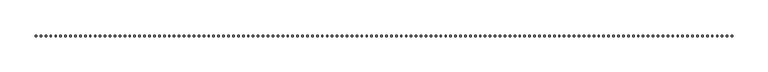
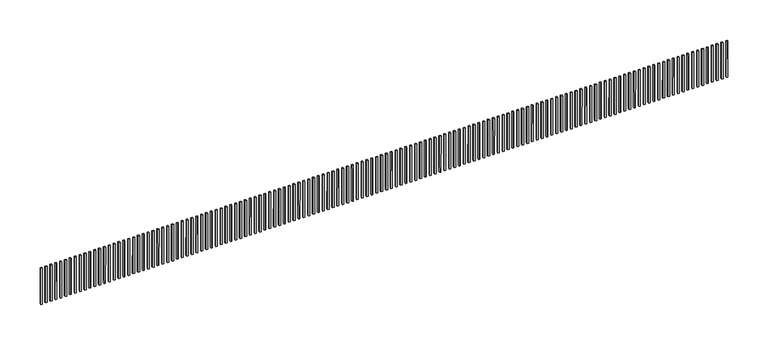
"""IFC4 building model written with IfcOpenShell, lengths in millimetres: proxy geometry."""

from ifc_helpers import new_model, si_unit, frame, origin, place, context, project, spatial, polyline, outline, extrude, source, transform, mapped, element, save


def generic_models_afb05aeb(model_context):
    return source(origin(), model_context, "Body", "SweptSolid", [
        extrude(outline(polyline([(0.0, -2.0), (0.0, 0.0), (1.974326, 0.0), (1.974326, -2.0), (0.0, -2.0)])), frame((8.0, 0.030671, 2.137428), z_axis=(3.568491335761828e-12, -0.0012445954869860778, 0.9999992254907369), x_axis=(0.0, -0.9999992254907369, -0.0012445954869860778)), (0.0, 0.0, 1.0), 55.0),
        extrude(outline(polyline([(0.0, -2.0), (0.0, 0.0), (1.974326, 0.0), (1.974326, -2.0), (0.0, -2.0)])), frame((15.0, 0.030671, 2.137428), z_axis=(3.5542152554439186e-12, -0.0012445954869860778, 0.9999992254907369), x_axis=(0.0, -0.9999992254907369, -0.0012445954869860778)), (0.0, 0.0, 1.0), 55.0),
        extrude(outline(polyline([(0.0, -2.0), (0.0, 0.0), (1.974326, 0.0), (1.974326, -2.0), (0.0, -2.0)])), frame((22.0, 0.030671, 2.137428), z_axis=(3.544169124849834e-12, -0.0012445954869860778, 0.9999992254907369), x_axis=(0.0, -0.9999992254907369, -0.0012445954869860778)), (0.0, 0.0, 1.0), 55.0),
        extrude(outline(polyline([(0.0, -2.0), (0.0, 0.0), (1.974326, 0.0), (1.974326, -2.0), (0.0, -2.0)])), frame((29.0, 0.030671, 2.137428), z_axis=(3.53412299425575e-12, -0.0012445954869860778, 0.9999992254907369), x_axis=(0.0, -0.9999992254907369, -0.0012445954869860778)), (0.0, 0.0, 1.0), 55.0),
        extrude(outline(polyline([(0.0, -2.0), (0.0, 0.0), (1.974326, 0.0), (1.974326, -2.0), (0.0, -2.0)])), frame((36.0, 0.030671, 2.137428), z_axis=(3.519846913937841e-12, -0.0012445954869860778, 0.9999992254907369), x_axis=(0.0, -0.9999992254907369, -0.0012445954869860778)), (0.0, 0.0, 1.0), 55.0),
        extrude(outline(polyline([(0.0, -2.0), (0.0, 0.0), (1.974326, 0.0), (1.974326, -2.0), (0.0, -2.0)])), frame((43.0, 0.030671, 2.137428), z_axis=(3.510858270774713e-12, -0.0012445954869860778, 0.9999992254907369), x_axis=(0.0, -0.9999992254907369, -0.0012445954869860778)), (0.0, 0.0, 1.0), 55.0),
        extrude(outline(polyline([(0.0, -2.0), (0.0, 0.0), (1.974326, 0.0), (1.974326, -2.0), (0.0, -2.0)])), frame((50.0, 0.030671, 2.137428), z_axis=(3.5008121401806285e-12, -0.0012445954869860778, 0.9999992254907369), x_axis=(0.0, -0.9999992254907369, -0.0012445954869860778)), (0.0, 0.0, 1.0), 55.0),
        extrude(outline(polyline([(0.0, -2.0), (0.0, 0.0), (1.974326, 0.0), (1.974326, -2.0), (0.0, -2.0)])), frame((57.0, 0.030671, 2.137428), z_axis=(3.4865360598627196e-12, -0.0012445954869860778, 0.9999992254907369), x_axis=(0.0, -0.9999992254907369, -0.0012445954869860778)), (0.0, 0.0, 1.0), 55.0),
        extrude(outline(polyline([(0.0, -2.0), (0.0, 0.0), (1.974326, 0.0), (1.974326, -2.0), (0.0, -2.0)])), frame((64.0, 0.030671, 2.137428), z_axis=(3.4764899292686347e-12, -0.0012445954869860778, 0.9999992254907369), x_axis=(0.0, -0.9999992254907369, -0.0012445954869860778)), (0.0, 0.0, 1.0), 55.0),
        extrude(outline(polyline([(0.0, -2.0), (0.0, 0.0), (1.974326, 0.0), (1.974326, -2.0), (0.0, -2.0)])), frame((71.0, 0.030671, 2.137428), z_axis=(3.466443798674551e-12, -0.0012445954869860778, 0.9999992254907369), x_axis=(0.0, -0.9999992254907369, -0.0012445954869860778)), (0.0, 0.0, 1.0), 55.0),
        extrude(outline(polyline([(0.0, -2.0), (0.0, 0.0), (1.974326, 0.0), (1.974326, -2.0), (0.0, -2.0)])), frame((78.0, 0.030671, 2.137428), z_axis=(3.45269646207212e-12, -0.0012445954869860778, 0.9999992254907369), x_axis=(0.0, -0.9999992254907369, -0.0012445954869860778)), (0.0, 0.0, 1.0), 55.0),
        extrude(outline(polyline([(0.0, -2.0), (0.0, 0.0), (1.974326, 0.0), (1.974326, -2.0), (0.0, -2.0)])), frame((85.0, 0.030671, 2.137428), z_axis=(3.4426503314780353e-12, -0.0012445954869860778, 0.9999992254907369), x_axis=(0.0, -0.9999992254907369, -0.0012445954869860778)), (0.0, 0.0, 1.0), 55.0),
        extrude(outline(polyline([(0.0, -2.0), (0.0, 0.0), (1.974326, 0.0), (1.974326, -2.0), (0.0, -2.0)])), frame((92.0, 0.030671, 2.137428), z_axis=(3.432604200883951e-12, -0.0012445954869860778, 0.9999992254907369), x_axis=(0.0, -0.9999992254907369, -0.0012445954869860778)), (0.0, 0.0, 1.0), 55.0),
        extrude(outline(polyline([(0.0, -2.0), (0.0, 0.0), (1.974326, 0.0), (1.974326, -2.0), (0.0, -2.0)])), frame((99.0, 0.030671, 2.137428), z_axis=(3.4183281205660415e-12, -0.0012445954869860778, 0.9999992254907369), x_axis=(0.0, -0.9999992254907369, -0.0012445954869860778)), (0.0, 0.0, 1.0), 55.0),
        extrude(outline(polyline([(0.0, -2.0), (0.0, 0.0), (1.974326, 0.0), (1.974326, -2.0), (0.0, -2.0)])), frame((106.0, 0.030671, 2.137428), z_axis=(3.4082819899719582e-12, -0.0012445954869860778, 0.9999992254907369), x_axis=(0.0, -0.9999992254907369, -0.0012445954869860778)), (0.0, 0.0, 1.0), 55.0),
        extrude(outline(polyline([(0.0, -2.0), (0.0, 0.0), (1.974326, 0.0), (1.974326, -2.0), (0.0, -2.0)])), frame((113.0, 0.030671, 2.137428), z_axis=(3.3992933468088298e-12, -0.0012445954869860778, 0.9999992254907369), x_axis=(0.0, -0.9999992254907369, -0.0012445954869860778)), (0.0, 0.0, 1.0), 55.0),
        extrude(outline(polyline([(0.0, -2.0), (0.0, 0.0), (1.974326, 0.0), (1.974326, -2.0), (0.0, -2.0)])), frame((120.0, 0.030671, 2.137428), z_axis=(3.38501726649092e-12, -0.0012445954869860778, 0.9999992254907369), x_axis=(0.0, -0.9999992254907369, -0.0012445954869860778)), (0.0, 0.0, 1.0), 55.0),
        extrude(outline(polyline([(0.0, -2.0), (0.0, 0.0), (1.974326, 0.0), (1.974326, -2.0), (0.0, -2.0)])), frame((127.0, 0.030671, 2.137428), z_axis=(3.3749711358968363e-12, -0.0012445954869860778, 0.9999992254907369), x_axis=(0.0, -0.9999992254907369, -0.0012445954869860778)), (0.0, 0.0, 1.0), 55.0),
        extrude(outline(polyline([(0.0, -2.0), (0.0, 0.0), (1.974326, 0.0), (1.974326, -2.0), (0.0, -2.0)])), frame((134.0, 0.030671, 2.137428), z_axis=(3.3649250053027514e-12, -0.0012445954869860778, 0.9999992254907369), x_axis=(0.0, -0.9999992254907369, -0.0012445954869860778)), (0.0, 0.0, 1.0), 55.0),
        extrude(outline(polyline([(0.0, -2.0), (0.0, 0.0), (1.974326, 0.0), (1.974326, -2.0), (0.0, -2.0)])), frame((141.0, 0.030671, 2.137428), z_axis=(3.3506489249848424e-12, -0.0012445954869860778, 0.9999992254907369), x_axis=(0.0, -0.9999992254907369, -0.0012445954869860778)), (0.0, 0.0, 1.0), 55.0),
        extrude(outline(polyline([(0.0, -2.0), (0.0, 0.0), (1.974326, 0.0), (1.974326, -2.0), (0.0, -2.0)])), frame((148.0, 0.030671, 2.137428), z_axis=(3.3411315381062366e-12, -0.0012445954869860778, 0.9999992254907369), x_axis=(0.0, -0.9999992254907369, -0.0012445954869860778)), (0.0, 0.0, 1.0), 55.0),
        extrude(outline(polyline([(0.0, -2.0), (0.0, 0.0), (1.974326, 0.0), (1.974326, -2.0), (0.0, -2.0)])), frame((155.0, 0.030671, 2.137428), z_axis=(3.3310854075121525e-12, -0.0012445954869860778, 0.9999992254907369), x_axis=(0.0, -0.9999992254907369, -0.0012445954869860778)), (0.0, 0.0, 1.0), 55.0),
        extrude(outline(polyline([(0.0, -2.0), (0.0, 0.0), (1.974326, 0.0), (1.974326, -2.0), (0.0, -2.0)])), frame((162.0, 0.030671, 2.137428), z_axis=(3.316809327194243e-12, -0.0012445954869860778, 0.9999992254907369), x_axis=(0.0, -0.9999992254907369, -0.0012445954869860778)), (0.0, 0.0, 1.0), 55.0),
        extrude(outline(polyline([(0.0, -2.0), (0.0, 0.0), (1.974326, 0.0), (1.974326, -2.0), (0.0, -2.0)])), frame((169.0, 0.030671, 2.137428), z_axis=(3.306763196600158e-12, -0.0012445954869860778, 0.9999992254907369), x_axis=(0.0, -0.9999992254907369, -0.0012445954869860778)), (0.0, 0.0, 1.0), 55.0),
        extrude(outline(polyline([(0.0, -2.0), (0.0, 0.0), (1.974326, 0.0), (1.974326, -2.0), (0.0, -2.0)])), frame((176.0, 0.030671, 2.137428), z_axis=(3.2924871162822492e-12, -0.0012445954869860778, 0.9999992254907369), x_axis=(0.0, -0.9999992254907369, -0.0012445954869860778)), (0.0, 0.0, 1.0), 55.0),
        extrude(outline(polyline([(0.0, -2.0), (0.0, 0.0), (1.974326, 0.0), (1.974326, -2.0), (0.0, -2.0)])), frame((183.0, 0.030671, 2.137428), z_axis=(3.2834984731191216e-12, -0.0012445954869860778, 0.9999992254907369), x_axis=(0.0, -0.9999992254907369, -0.0012445954869860778)), (0.0, 0.0, 1.0), 55.0),
        extrude(outline(polyline([(0.0, -2.0), (0.0, 0.0), (1.974326, 0.0), (1.974326, -2.0), (0.0, -2.0)])), frame((190.0, 0.030671, 2.137428), z_axis=(3.2734523425250367e-12, -0.0012445954869860778, 0.9999992254907369), x_axis=(0.0, -0.9999992254907369, -0.0012445954869860778)), (0.0, 0.0, 1.0), 55.0),
        extrude(outline(polyline([(0.0, -2.0), (0.0, 0.0), (1.974326, 0.0), (1.974326, -2.0), (0.0, -2.0)])), frame((197.0, 0.030671, 2.137428), z_axis=(3.263406211930953e-12, -0.0012445954869860778, 0.9999992254907369), x_axis=(0.0, -0.9999992254907369, -0.0012445954869860778)), (0.0, 0.0, 1.0), 55.0),
        extrude(outline(polyline([(0.0, -2.0), (0.0, 0.0), (1.974326, 0.0), (1.974326, -2.0), (0.0, -2.0)])), frame((204.0, 0.030671, 2.137428), z_axis=(3.2491301316129887e-12, -0.0012445954869860778, 0.9999992254907369), x_axis=(0.0, -0.9999992254907369, -0.0012445954869860778)), (0.0, 0.0, 1.0), 55.0),
        extrude(outline(polyline([(0.0, -2.0), (0.0, 0.0), (1.974326, 0.0), (1.974326, -2.0), (0.0, -2.0)])), frame((211.0, 0.030671, 2.137428), z_axis=(3.2390840010189046e-12, -0.0012445954869860778, 0.9999992254907369), x_axis=(0.0, -0.9999992254907369, -0.0012445954869860778)), (0.0, 0.0, 1.0), 55.0),
        extrude(outline(polyline([(0.0, -2.0), (0.0, 0.0), (1.974326, 0.0), (1.974326, -2.0), (0.0, -2.0)])), frame((218.0, 0.030671, 2.137428), z_axis=(3.2295666141402984e-12, -0.0012445954869860778, 0.9999992254907369), x_axis=(0.0, -0.9999992254907369, -0.0012445954869860778)), (0.0, 0.0, 1.0), 55.0),
        extrude(outline(polyline([(0.0, -2.0), (0.0, 0.0), (1.974326, 0.0), (1.974326, -2.0), (0.0, -2.0)])), frame((225.0, 0.030671, 2.137428), z_axis=(3.2152905338223898e-12, -0.0012445954869860778, 0.9999992254907369), x_axis=(0.0, -0.9999992254907369, -0.0012445954869860778)), (0.0, 0.0, 1.0), 55.0),
        extrude(outline(polyline([(0.0, -2.0), (0.0, 0.0), (1.974326, 0.0), (1.974326, -2.0), (0.0, -2.0)])), frame((232.0, 0.030671, 2.137428), z_axis=(3.2052444032283057e-12, -0.0012445954869860778, 0.9999992254907369), x_axis=(0.0, -0.9999992254907369, -0.0012445954869860778)), (0.0, 0.0, 1.0), 55.0),
        extrude(outline(polyline([(0.0, -2.0), (0.0, 0.0), (1.974326, 0.0), (1.974326, -2.0), (0.0, -2.0)])), frame((239.0, 0.030671, 2.137428), z_axis=(3.1909683229103967e-12, -0.0012445954869860778, 0.9999992254907369), x_axis=(0.0, -0.9999992254907369, -0.0012445954869860778)), (0.0, 0.0, 1.0), 55.0),
        extrude(outline(polyline([(0.0, -2.0), (0.0, 0.0), (1.974326, 0.0), (1.974326, -2.0), (0.0, -2.0)])), frame((246.0, 0.030671, 2.137428), z_axis=(3.1809221923163122e-12, -0.0012445954869860778, 0.9999992254907369), x_axis=(0.0, -0.9999992254907369, -0.0012445954869860778)), (0.0, 0.0, 1.0), 55.0),
        extrude(outline(polyline([(0.0, -2.0), (0.0, 0.0), (1.974326, 0.0), (1.974326, -2.0), (0.0, -2.0)])), frame((253.0, 0.030671, 2.137428), z_axis=(3.1719335491531846e-12, -0.0012445954869860778, 0.9999992254907369), x_axis=(0.0, -0.9999992254907369, -0.0012445954869860778)), (0.0, 0.0, 1.0), 55.0),
        extrude(outline(polyline([(0.0, -2.0), (0.0, 0.0), (1.974326, 0.0), (1.974326, -2.0), (0.0, -2.0)])), frame((260.0, 0.030671, 2.137428), z_axis=(3.1618874185591005e-12, -0.0012445954869860778, 0.9999992254907369), x_axis=(0.0, -0.9999992254907369, -0.0012445954869860778)), (0.0, 0.0, 1.0), 55.0),
        extrude(outline(polyline([(0.0, -2.0), (0.0, 0.0), (1.974326, 0.0), (1.974326, -2.0), (0.0, -2.0)])), frame((267.0, 0.030671, 2.137428), z_axis=(3.147611338241191e-12, -0.0012445954869860778, 0.9999992254907369), x_axis=(0.0, -0.9999992254907369, -0.0012445954869860778)), (0.0, 0.0, 1.0), 55.0),
        extrude(outline(polyline([(0.0, -2.0), (0.0, 0.0), (1.974326, 0.0), (1.974326, -2.0), (0.0, -2.0)])), frame((274.0, 0.030671, 2.137428), z_axis=(3.1375652076471074e-12, -0.0012445954869860778, 0.9999992254907369), x_axis=(0.0, -0.9999992254907369, -0.0012445954869860778)), (0.0, 0.0, 1.0), 55.0),
        extrude(outline(polyline([(0.0, -2.0), (0.0, 0.0), (1.974326, 0.0), (1.974326, -2.0), (0.0, -2.0)])), frame((281.0, 0.030671, 2.137428), z_axis=(3.1232891273291984e-12, -0.0012445954869860778, 0.9999992254907369), x_axis=(0.0, -0.9999992254907369, -0.0012445954869860778)), (0.0, 0.0, 1.0), 55.0),
        extrude(outline(polyline([(0.0, -2.0), (0.0, 0.0), (1.974326, 0.0), (1.974326, -2.0), (0.0, -2.0)])), frame((288.0, 0.030671, 2.137428), z_axis=(3.1137717404505926e-12, -0.0012445954869860778, 0.9999992254907369), x_axis=(0.0, -0.9999992254907369, -0.0012445954869860778)), (0.0, 0.0, 1.0), 55.0),
        extrude(outline(polyline([(0.0, -2.0), (0.0, 0.0), (1.974326, 0.0), (1.974326, -2.0), (0.0, -2.0)])), frame((295.0, 0.030671, 2.137428), z_axis=(3.107955559580333e-12, -0.0012445954869860778, 0.9999992254907369), x_axis=(0.0, -0.9999992254907369, -0.0012445954869860778)), (0.0, 0.0, 1.0), 55.0),
        extrude(outline(polyline([(0.0, -2.0), (0.0, 0.0), (1.974326, 0.0), (1.974326, -2.0), (0.0, -2.0)])), frame((302.0, 0.030671, 2.137428), z_axis=(3.0936794792624244e-12, -0.0012445954869860778, 0.9999992254907369), x_axis=(0.0, -0.9999992254907369, -0.0012445954869860778)), (0.0, 0.0, 1.0), 55.0),
        extrude(outline(polyline([(0.0, -2.0), (0.0, 0.0), (1.974326, 0.0), (1.974326, -2.0), (0.0, -2.0)])), frame((309.0, 0.030671, 2.137428), z_axis=(3.0794033989444633e-12, -0.0012445954869860778, 0.9999992254907369), x_axis=(0.0, -0.9999992254907369, -0.0012445954869860778)), (0.0, 0.0, 1.0), 55.0),
        extrude(outline(polyline([(0.0, -2.0), (0.0, 0.0), (1.974326, 0.0), (1.974326, -2.0), (0.0, -2.0)])), frame((316.0, 0.030671, 2.137428), z_axis=(3.073587218074204e-12, -0.0012445954869860778, 0.9999992254907369), x_axis=(0.0, -0.9999992254907369, -0.0012445954869860778)), (0.0, 0.0, 1.0), 55.0),
        extrude(outline(polyline([(0.0, -2.0), (0.0, 0.0), (1.974326, 0.0), (1.974326, -2.0), (0.0, -2.0)])), frame((323.0, 0.030671, 2.137428), z_axis=(3.0603686251872516e-12, -0.0012445954869860778, 0.9999992254907369), x_axis=(0.0, -0.9999992254907369, -0.0012445954869860778)), (0.0, 0.0, 1.0), 55.0),
        extrude(outline(polyline([(0.0, -2.0), (0.0, 0.0), (1.974326, 0.0), (1.974326, -2.0), (0.0, -2.0)])), frame((330.0, 0.030671, 2.137428), z_axis=(3.046092544869343e-12, -0.0012445954869860778, 0.9999992254907369), x_axis=(0.0, -0.9999992254907369, -0.0012445954869860778)), (0.0, 0.0, 1.0), 55.0),
        extrude(outline(polyline([(0.0, -2.0), (0.0, 0.0), (1.974326, 0.0), (1.974326, -2.0), (0.0, -2.0)])), frame((337.0, 0.030671, 2.137428), z_axis=(3.040276363999084e-12, -0.0012445954869860778, 0.9999992254907369), x_axis=(0.0, -0.9999992254907369, -0.0012445954869860778)), (0.0, 0.0, 1.0), 55.0),
        extrude(outline(polyline([(0.0, -2.0), (0.0, 0.0), (1.974326, 0.0), (1.974326, -2.0), (0.0, -2.0)])), frame((344.0, 0.030671, 2.137428), z_axis=(3.026000283681175e-12, -0.0012445954869860778, 0.9999992254907369), x_axis=(0.0, -0.9999992254907369, -0.0012445954869860778)), (0.0, 0.0, 1.0), 55.0),
        extrude(outline(polyline([(0.0, -2.0), (0.0, 0.0), (1.974326, 0.0), (1.974326, -2.0), (0.0, -2.0)])), frame((351.0, 0.030671, 2.137428), z_axis=(3.0117242033632667e-12, -0.0012445954869860778, 0.9999992254907369), x_axis=(0.0, -0.9999992254907369, -0.0012445954869860778)), (0.0, 0.0, 1.0), 55.0),
        extrude(outline(polyline([(0.0, -2.0), (0.0, 0.0), (1.974326, 0.0), (1.974326, -2.0), (0.0, -2.0)])), frame((358.0, 0.030671, 2.137428), z_axis=(3.0064367662084854e-12, -0.0012445954869860778, 0.9999992254907369), x_axis=(0.0, -0.9999992254907369, -0.0012445954869860778)), (0.0, 0.0, 1.0), 55.0),
        extrude(outline(polyline([(0.0, -2.0), (0.0, 0.0), (1.974326, 0.0), (1.974326, -2.0), (0.0, -2.0)])), frame((365.0, 0.030671, 2.137428), z_axis=(2.992160685890576e-12, -0.0012445954869860778, 0.9999992254907369), x_axis=(0.0, -0.9999992254907369, -0.0012445954869860778)), (0.0, 0.0, 1.0), 55.0),
        extrude(outline(polyline([(0.0, -2.0), (0.0, 0.0), (1.974326, 0.0), (1.974326, -2.0), (0.0, -2.0)])), frame((372.0, 0.030671, 2.137428), z_axis=(2.9778846055726674e-12, -0.0012445954869860778, 0.9999992254907369), x_axis=(0.0, -0.9999992254907369, -0.0012445954869860778)), (0.0, 0.0, 1.0), 55.0),
        extrude(outline(polyline([(0.0, -2.0), (0.0, 0.0), (1.974326, 0.0), (1.974326, -2.0), (0.0, -2.0)])), frame((379.0, 0.030671, 2.137428), z_axis=(2.9720684247024086e-12, -0.0012445954869860778, 0.9999992254907369), x_axis=(0.0, -0.9999992254907369, -0.0012445954869860778)), (0.0, 0.0, 1.0), 55.0),
        extrude(outline(polyline([(0.0, -2.0), (0.0, 0.0), (1.974326, 0.0), (1.974326, -2.0), (0.0, -2.0)])), frame((386.0, 0.030671, 2.137428), z_axis=(2.9577923443845e-12, -0.0012445954869860778, 0.9999992254907369), x_axis=(0.0, -0.9999992254907369, -0.0012445954869860778)), (0.0, 0.0, 1.0), 55.0),
        extrude(outline(polyline([(0.0, -2.0), (0.0, 0.0), (1.974326, 0.0), (1.974326, -2.0), (0.0, -2.0)])), frame((393.0, 0.030671, 2.137428), z_axis=(2.9445737514975475e-12, -0.0012445954869860778, 0.9999992254907369), x_axis=(0.0, -0.9999992254907369, -0.0012445954869860778)), (0.0, 0.0, 1.0), 55.0),
        extrude(outline(polyline([(0.0, -2.0), (0.0, 0.0), (1.974326, 0.0), (1.974326, -2.0), (0.0, -2.0)])), frame((400.0, 0.030671, 2.137428), z_axis=(2.9387575706272883e-12, -0.0012445954869860778, 0.9999992254907369), x_axis=(0.0, -0.9999992254907369, -0.0012445954869860778)), (0.0, 0.0, 1.0), 55.0),
        extrude(outline(polyline([(0.0, -2.0), (0.0, 0.0), (1.974326, 0.0), (1.974326, -2.0), (0.0, -2.0)])), frame((407.0, 0.030671, 2.137428), z_axis=(2.924481490309379e-12, -0.0012445954869860778, 0.9999992254907369), x_axis=(0.0, -0.9999992254907369, -0.0012445954869860778)), (0.0, 0.0, 1.0), 55.0),
        extrude(outline(polyline([(0.0, -2.0), (0.0, 0.0), (1.974326, 0.0), (1.974326, -2.0), (0.0, -2.0)])), frame((414.0, 0.030671, 2.137428), z_axis=(2.9102054099914703e-12, -0.0012445954869860778, 0.9999992254907369), x_axis=(0.0, -0.9999992254907369, -0.0012445954869860778)), (0.0, 0.0, 1.0), 55.0),
        extrude(outline(polyline([(0.0, -2.0), (0.0, 0.0), (1.974326, 0.0), (1.974326, -2.0), (0.0, -2.0)])), frame((421.0, 0.030671, 2.137428), z_axis=(2.904389229121211e-12, -0.0012445954869860778, 0.9999992254907369), x_axis=(0.0, -0.9999992254907369, -0.0012445954869860778)), (0.0, 0.0, 1.0), 55.0),
        extrude(outline(polyline([(0.0, -2.0), (0.0, 0.0), (1.974326, 0.0), (1.974326, -2.0), (0.0, -2.0)])), frame((428.0, 0.030671, 2.137428), z_axis=(2.890641892518781e-12, -0.0012445954869860778, 0.9999992254907369), x_axis=(0.0, -0.9999992254907369, -0.0012445954869860778)), (0.0, 0.0, 1.0), 55.0),
        extrude(outline(polyline([(0.0, -2.0), (0.0, 0.0), (1.974326, 0.0), (1.974326, -2.0), (0.0, -2.0)])), frame((435.0, 0.030671, 2.137428), z_axis=(2.8763658122008722e-12, -0.0012445954869860778, 0.9999992254907369), x_axis=(0.0, -0.9999992254907369, -0.0012445954869860778)), (0.0, 0.0, 1.0), 55.0),
        extrude(outline(polyline([(0.0, -2.0), (0.0, 0.0), (1.974326, 0.0), (1.974326, -2.0), (0.0, -2.0)])), frame((442.0, 0.030671, 2.137428), z_axis=(2.870549631330613e-12, -0.0012445954869860778, 0.9999992254907369), x_axis=(0.0, -0.9999992254907369, -0.0012445954869860778)), (0.0, 0.0, 1.0), 55.0),
        extrude(outline(polyline([(0.0, -2.0), (0.0, 0.0), (1.974326, 0.0), (1.974326, -2.0), (0.0, -2.0)])), frame((449.0, 0.030671, 2.137428), z_axis=(2.8562735510127045e-12, -0.0012445954869860778, 0.9999992254907369), x_axis=(0.0, -0.9999992254907369, -0.0012445954869860778)), (0.0, 0.0, 1.0), 55.0),
        extrude(outline(polyline([(0.0, -2.0), (0.0, 0.0), (1.974326, 0.0), (1.974326, -2.0), (0.0, -2.0)])), frame((456.0, 0.030671, 2.137428), z_axis=(2.841997470694796e-12, -0.0012445954869860778, 0.9999992254907369), x_axis=(0.0, -0.9999992254907369, -0.0012445954869860778)), (0.0, 0.0, 1.0), 55.0),
        extrude(outline(polyline([(0.0, -2.0), (0.0, 0.0), (1.974326, 0.0), (1.974326, -2.0), (0.0, -2.0)])), frame((463.0, 0.030671, 2.137428), z_axis=(2.8372387772554924e-12, -0.0012445954869860778, 0.9999992254907369), x_axis=(0.0, -0.9999992254907369, -0.0012445954869860778)), (0.0, 0.0, 1.0), 55.0),
        extrude(outline(polyline([(0.0, -2.0), (0.0, 0.0), (1.974326, 0.0), (1.974326, -2.0), (0.0, -2.0)])), frame((470.0, 0.030671, 2.137428), z_axis=(2.822962696937584e-12, -0.0012445954869860778, 0.9999992254907369), x_axis=(0.0, -0.9999992254907369, -0.0012445954869860778)), (0.0, 0.0, 1.0), 55.0),
        extrude(outline(polyline([(0.0, -2.0), (0.0, 0.0), (1.974326, 0.0), (1.974326, -2.0), (0.0, -2.0)])), frame((477.0, 0.030671, 2.137428), z_axis=(2.808686616619675e-12, -0.0012445954869860778, 0.9999992254907369), x_axis=(0.0, -0.9999992254907369, -0.0012445954869860778)), (0.0, 0.0, 1.0), 55.0),
        extrude(outline(polyline([(0.0, -2.0), (0.0, 0.0), (1.974326, 0.0), (1.974326, -2.0), (0.0, -2.0)])), frame((484.0, 0.030671, 2.137428), z_axis=(2.802870435749416e-12, -0.0012445954869860778, 0.9999992254907369), x_axis=(0.0, -0.9999992254907369, -0.0012445954869860778)), (0.0, 0.0, 1.0), 55.0),
        extrude(outline(polyline([(0.0, -2.0), (0.0, 0.0), (1.974326, 0.0), (1.974326, -2.0), (0.0, -2.0)])), frame((491.0, 0.030671, 2.137428), z_axis=(2.7885943554315074e-12, -0.0012445954869860778, 0.9999992254907369), x_axis=(0.0, -0.9999992254907369, -0.0012445954869860778)), (0.0, 0.0, 1.0), 55.0),
        extrude(outline(polyline([(0.0, -2.0), (0.0, 0.0), (1.974326, 0.0), (1.974326, -2.0), (0.0, -2.0)])), frame((498.0, 0.030671, 2.137428), z_axis=(2.7748470188290767e-12, -0.0012445954869860778, 0.9999992254907369), x_axis=(0.0, -0.9999992254907369, -0.0012445954869860778)), (0.0, 0.0, 1.0), 55.0),
        extrude(outline(polyline([(0.0, -2.0), (0.0, 0.0), (1.974326, 0.0), (1.974326, -2.0), (0.0, -2.0)])), frame((505.0, 0.030671, 2.137428), z_axis=(2.7690308379588175e-12, -0.0012445954869860778, 0.9999992254907369), x_axis=(0.0, -0.9999992254907369, -0.0012445954869860778)), (0.0, 0.0, 1.0), 55.0),
        extrude(outline(polyline([(0.0, -2.0), (0.0, 0.0), (1.974326, 0.0), (1.974326, -2.0), (0.0, -2.0)])), frame((512.0, 0.030671, 2.137428), z_axis=(2.7547547576409085e-12, -0.0012445954869860778, 0.9999992254907369), x_axis=(0.0, -0.9999992254907369, -0.0012445954869860778)), (0.0, 0.0, 1.0), 55.0),
        extrude(outline(polyline([(0.0, -2.0), (0.0, 0.0), (1.974326, 0.0), (1.974326, -2.0), (0.0, -2.0)])), frame((519.0, 0.030671, 2.137428), z_axis=(2.740478677323e-12, -0.0012445954869860778, 0.9999992254907369), x_axis=(0.0, -0.9999992254907369, -0.0012445954869860778)), (0.0, 0.0, 1.0), 55.0),
        extrude(outline(polyline([(0.0, -2.0), (0.0, 0.0), (1.974326, 0.0), (1.974326, -2.0), (0.0, -2.0)])), frame((526.0, 0.030671, 2.137428), z_axis=(2.726202597005091e-12, -0.0012445954869860778, 0.9999992254907369), x_axis=(0.0, -0.9999992254907369, -0.0012445954869860778)), (0.0, 0.0, 1.0), 55.0),
        extrude(outline(polyline([(0.0, -2.0), (0.0, 0.0), (1.974326, 0.0), (1.974326, -2.0), (0.0, -2.0)])), frame((533.0, 0.030671, 2.137428), z_axis=(2.7214439035657886e-12, -0.0012445954869860778, 0.9999992254907369), x_axis=(0.0, -0.9999992254907369, -0.0012445954869860778)), (0.0, 0.0, 1.0), 55.0),
        extrude(outline(polyline([(0.0, -2.0), (0.0, 0.0), (1.974326, 0.0), (1.974326, -2.0), (0.0, -2.0)])), frame((540.0, 0.030671, 2.137428), z_axis=(2.7071678232478792e-12, -0.0012445954869860778, 0.9999992254907369), x_axis=(0.0, -0.9999992254907369, -0.0012445954869860778)), (0.0, 0.0, 1.0), 55.0),
        extrude(outline(polyline([(0.0, -2.0), (0.0, 0.0), (1.974326, 0.0), (1.974326, -2.0), (0.0, -2.0)])), frame((547.0, 0.030671, 2.137428), z_axis=(2.7013516423776213e-12, -0.0012445954869860778, 0.9999992254907369), x_axis=(0.0, -0.9999992254907369, -0.0012445954869860778)), (0.0, 0.0, 1.0), 55.0),
        extrude(outline(polyline([(0.0, -2.0), (0.0, 0.0), (1.974326, 0.0), (1.974326, -2.0), (0.0, -2.0)])), frame((554.0, 0.030671, 2.137428), z_axis=(2.687075562059712e-12, -0.0012445954869860778, 0.9999992254907369), x_axis=(0.0, -0.9999992254907369, -0.0012445954869860778)), (0.0, 0.0, 1.0), 55.0),
        extrude(outline(polyline([(0.0, -2.0), (0.0, 0.0), (1.974326, 0.0), (1.974326, -2.0), (0.0, -2.0)])), frame((561.0, 0.030671, 2.137428), z_axis=(2.6727994817418033e-12, -0.0012445954869860778, 0.9999992254907369), x_axis=(0.0, -0.9999992254907369, -0.0012445954869860778)), (0.0, 0.0, 1.0), 55.0),
        extrude(outline(polyline([(0.0, -2.0), (0.0, 0.0), (1.974326, 0.0), (1.974326, -2.0), (0.0, -2.0)])), frame((568.0, 0.030671, 2.137428), z_axis=(2.667512044587022e-12, -0.0012445954869860778, 0.9999992254907369), x_axis=(0.0, -0.9999992254907369, -0.0012445954869860778)), (0.0, 0.0, 1.0), 55.0),
        extrude(outline(polyline([(0.0, -2.0), (0.0, 0.0), (1.974326, 0.0), (1.974326, -2.0), (0.0, -2.0)])), frame((575.0, 0.030671, 2.137428), z_axis=(2.6532359642691134e-12, -0.0012445954869860778, 0.9999992254907369), x_axis=(0.0, -0.9999992254907369, -0.0012445954869860778)), (0.0, 0.0, 1.0), 55.0),
        extrude(outline(polyline([(0.0, -2.0), (0.0, 0.0), (1.974326, 0.0), (1.974326, -2.0), (0.0, -2.0)])), frame((582.0, 0.030671, 2.137428), z_axis=(2.6389598839512048e-12, -0.0012445954869860778, 0.9999992254907369), x_axis=(0.0, -0.9999992254907369, -0.0012445954869860778)), (0.0, 0.0, 1.0), 55.0),
        extrude(outline(polyline([(0.0, -2.0), (0.0, 0.0), (1.974326, 0.0), (1.974326, -2.0), (0.0, -2.0)])), frame((589.0, 0.030671, 2.137428), z_axis=(2.6246838036332958e-12, -0.0012445954869860778, 0.9999992254907369), x_axis=(0.0, -0.9999992254907369, -0.0012445954869860778)), (0.0, 0.0, 1.0), 55.0),
        extrude(outline(polyline([(0.0, -2.0), (0.0, 0.0), (1.974326, 0.0), (1.974326, -2.0), (0.0, -2.0)])), frame((596.0, 0.030671, 2.137428), z_axis=(2.6188676227628597e-12, -0.0012445954869860778, 0.9999992254907369), x_axis=(0.0, -0.9999992254907369, -0.0012445954869860778)), (0.0, 0.0, 1.0), 55.0),
        extrude(outline(polyline([(0.0, -2.0), (0.0, 0.0), (1.974326, 0.0), (1.974326, -2.0), (0.0, -2.0)])), frame((603.0, 0.030671, 2.137428), z_axis=(2.605649029875908e-12, -0.0012445954869860778, 0.9999992254907369), x_axis=(0.0, -0.9999992254907369, -0.0012445954869860778)), (0.0, 0.0, 1.0), 55.0),
        extrude(outline(polyline([(0.0, -2.0), (0.0, 0.0), (1.974326, 0.0), (1.974326, -2.0), (0.0, -2.0)])), frame((610.0, 0.030671, 2.137428), z_axis=(2.599832849005649e-12, -0.0012445954869860778, 0.9999992254907369), x_axis=(0.0, -0.9999992254907369, -0.0012445954869860778)), (0.0, 0.0, 1.0), 55.0),
        extrude(outline(polyline([(0.0, -2.0), (0.0, 0.0), (1.974326, 0.0), (1.974326, -2.0), (0.0, -2.0)])), frame((617.0, 0.030671, 2.137428), z_axis=(2.585556768687741e-12, -0.0012445954869860778, 0.9999992254907369), x_axis=(0.0, -0.9999992254907369, -0.0012445954869860778)), (0.0, 0.0, 1.0), 55.0),
        extrude(outline(polyline([(0.0, -2.0), (0.0, 0.0), (1.974326, 0.0), (1.974326, -2.0), (0.0, -2.0)])), frame((624.0, 0.030671, 2.137428), z_axis=(2.5712806883698336e-12, -0.0012445954869860778, 0.9999992254907369), x_axis=(0.0, -0.9999992254907369, -0.0012445954869860778)), (0.0, 0.0, 1.0), 55.0),
        extrude(outline(polyline([(0.0, -2.0), (0.0, 0.0), (1.974326, 0.0), (1.974326, -2.0), (0.0, -2.0)])), frame((631.0, 0.030671, 2.137428), z_axis=(2.557004608051926e-12, -0.0012445954869860778, 0.9999992254907369), x_axis=(0.0, -0.9999992254907369, -0.0012445954869860778)), (0.0, 0.0, 1.0), 55.0),
        extrude(outline(polyline([(0.0, -2.0), (0.0, 0.0), (1.974326, 0.0), (1.974326, -2.0), (0.0, -2.0)])), frame((638.0, 0.030671, 2.137428), z_axis=(2.551717170897145e-12, -0.0012445954869860778, 0.9999992254907369), x_axis=(0.0, -0.9999992254907369, -0.0012445954869860778)), (0.0, 0.0, 1.0), 55.0),
        extrude(outline(polyline([(0.0, -2.0), (0.0, 0.0), (1.974326, 0.0), (1.974326, -2.0), (0.0, -2.0)])), frame((645.0, 0.030671, 2.137428), z_axis=(2.537441090579237e-12, -0.0012445954869860778, 0.9999992254907369), x_axis=(0.0, -0.9999992254907369, -0.0012445954869860778)), (0.0, 0.0, 1.0), 55.0),
        extrude(outline(polyline([(0.0, -2.0), (0.0, 0.0), (1.974326, 0.0), (1.974326, -2.0), (0.0, -2.0)])), frame((652.0, 0.030671, 2.137428), z_axis=(2.5231650102613298e-12, -0.0012445954869860778, 0.9999992254907369), x_axis=(0.0, -0.9999992254907369, -0.0012445954869860778)), (0.0, 0.0, 1.0), 55.0),
        extrude(outline(polyline([(0.0, -2.0), (0.0, 0.0), (1.974326, 0.0), (1.974326, -2.0), (0.0, -2.0)])), frame((659.0, 0.030671, 2.137428), z_axis=(2.517348829391071e-12, -0.0012445954869860778, 0.9999992254907369), x_axis=(0.0, -0.9999992254907369, -0.0012445954869860778)), (0.0, 0.0, 1.0), 55.0),
        extrude(outline(polyline([(0.0, -2.0), (0.0, 0.0), (1.974326, 0.0), (1.974326, -2.0), (0.0, -2.0)])), frame((666.0, 0.030671, 2.137428), z_axis=(2.5030727490731632e-12, -0.0012445954869860778, 0.9999992254907369), x_axis=(0.0, -0.9999992254907369, -0.0012445954869860778)), (0.0, 0.0, 1.0), 55.0),
        extrude(outline(polyline([(0.0, -2.0), (0.0, 0.0), (1.974326, 0.0), (1.974326, -2.0), (0.0, -2.0)])), frame((673.0, 0.030671, 2.137428), z_axis=(2.4983140556338605e-12, -0.0012445954869860778, 0.9999992254907369), x_axis=(0.0, -0.9999992254907369, -0.0012445954869860778)), (0.0, 0.0, 1.0), 55.0),
        extrude(outline(polyline([(0.0, -2.0), (0.0, 0.0), (1.974326, 0.0), (1.974326, -2.0), (0.0, -2.0)])), frame((680.0, 0.030671, 2.137428), z_axis=(2.4840379753159527e-12, -0.0012445954869860778, 0.9999992254907369), x_axis=(0.0, -0.9999992254907369, -0.0012445954869860778)), (0.0, 0.0, 1.0), 55.0),
        extrude(outline(polyline([(0.0, -2.0), (0.0, 0.0), (1.974326, 0.0), (1.974326, -2.0), (0.0, -2.0)])), frame((687.0, 0.030671, 2.137428), z_axis=(2.4697618949980445e-12, -0.0012445954869860778, 0.9999992254907369), x_axis=(0.0, -0.9999992254907369, -0.0012445954869860778)), (0.0, 0.0, 1.0), 55.0),
        extrude(outline(polyline([(0.0, -2.0), (0.0, 0.0), (1.974326, 0.0), (1.974326, -2.0), (0.0, -2.0)])), frame((694.0, 0.030671, 2.137428), z_axis=(2.4554858146801368e-12, -0.0012445954869860778, 0.9999992254907369), x_axis=(0.0, -0.9999992254907369, -0.0012445954869860778)), (0.0, 0.0, 1.0), 55.0),
        extrude(outline(polyline([(0.0, -2.0), (0.0, 0.0), (1.974326, 0.0), (1.974326, -2.0), (0.0, -2.0)])), frame((701.0, 0.030671, 2.137428), z_axis=(2.4496696338098784e-12, -0.0012445954869860778, 0.9999992254907369), x_axis=(0.0, -0.9999992254907369, -0.0012445954869860778)), (0.0, 0.0, 1.0), 55.0),
        extrude(outline(polyline([(0.0, -2.0), (0.0, 0.0), (1.974326, 0.0), (1.974326, -2.0), (0.0, -2.0)])), frame((708.0, 0.030671, 2.137428), z_axis=(2.435922297207449e-12, -0.0012445954869860778, 0.9999992254907369), x_axis=(0.0, -0.9999992254907369, -0.0012445954869860778)), (0.0, 0.0, 1.0), 55.0),
        extrude(outline(polyline([(0.0, -2.0), (0.0, 0.0), (1.974326, 0.0), (1.974326, -2.0), (0.0, -2.0)])), frame((715.0, 0.030671, 2.137428), z_axis=(2.421646216889541e-12, -0.0012445954869860778, 0.9999992254907369), x_axis=(0.0, -0.9999992254907369, -0.0012445954869860778)), (0.0, 0.0, 1.0), 55.0),
        extrude(outline(polyline([(0.0, -2.0), (0.0, 0.0), (1.974326, 0.0), (1.974326, -2.0), (0.0, -2.0)])), frame((722.0, 0.030671, 2.137428), z_axis=(2.4158300360192823e-12, -0.0012445954869860778, 0.9999992254907369), x_axis=(0.0, -0.9999992254907369, -0.0012445954869860778)), (0.0, 0.0, 1.0), 55.0),
        extrude(outline(polyline([(0.0, -2.0), (0.0, 0.0), (1.974326, 0.0), (1.974326, -2.0), (0.0, -2.0)])), frame((729.0, 0.030671, 2.137428), z_axis=(2.4015539557013745e-12, -0.0012445954869860778, 0.9999992254907369), x_axis=(0.0, -0.9999992254907369, -0.0012445954869860778)), (0.0, 0.0, 1.0), 55.0),
        extrude(outline(polyline([(0.0, -2.0), (0.0, 0.0), (1.974326, 0.0), (1.974326, -2.0), (0.0, -2.0)])), frame((736.0, 0.030671, 2.137428), z_axis=(2.3872778753834664e-12, -0.0012445954869860778, 0.9999992254907369), x_axis=(0.0, -0.9999992254907369, -0.0012445954869860778)), (0.0, 0.0, 1.0), 55.0),
        extrude(outline(polyline([(0.0, -2.0), (0.0, 0.0), (1.974326, 0.0), (1.974326, -2.0), (0.0, -2.0)])), frame((743.0, 0.030671, 2.137428), z_axis=(2.382519181944164e-12, -0.0012445954869860778, 0.9999992254907369), x_axis=(0.0, -0.9999992254907369, -0.0012445954869860778)), (0.0, 0.0, 1.0), 55.0),
        extrude(outline(polyline([(0.0, -2.0), (0.0, 0.0), (1.974326, 0.0), (1.974326, -2.0), (0.0, -2.0)])), frame((750.0, 0.030671, 2.137428), z_axis=(2.3682431016262563e-12, -0.0012445954869860778, 0.9999992254907369), x_axis=(0.0, -0.9999992254907369, -0.0012445954869860778)), (0.0, 0.0, 1.0), 55.0),
        extrude(outline(polyline([(0.0, -2.0), (0.0, 0.0), (1.974326, 0.0), (1.974326, -2.0), (0.0, -2.0)])), frame((757.0, 0.030671, 2.137428), z_axis=(2.3539670213083485e-12, -0.0012445954869860778, 0.9999992254907369), x_axis=(0.0, -0.9999992254907369, -0.0012445954869860778)), (0.0, 0.0, 1.0), 55.0),
        extrude(outline(polyline([(0.0, -2.0), (0.0, 0.0), (1.974326, 0.0), (1.974326, -2.0), (0.0, -2.0)])), frame((764.0, 0.030671, 2.137428), z_axis=(2.34815084043809e-12, -0.0012445954869860778, 0.9999992254907369), x_axis=(0.0, -0.9999992254907369, -0.0012445954869860778)), (0.0, 0.0, 1.0), 55.0),
        extrude(outline(polyline([(0.0, -2.0), (0.0, 0.0), (1.974326, 0.0), (1.974326, -2.0), (0.0, -2.0)])), frame((771.0, 0.030671, 2.137428), z_axis=(2.3338747601201823e-12, -0.0012445954869860778, 0.9999992254907369), x_axis=(0.0, -0.9999992254907369, -0.0012445954869860778)), (0.0, 0.0, 1.0), 55.0),
        extrude(outline(polyline([(0.0, -2.0), (0.0, 0.0), (1.974326, 0.0), (1.974326, -2.0), (0.0, -2.0)])), frame((778.0, 0.030671, 2.137428), z_axis=(2.3201274235177524e-12, -0.0012445954869860778, 0.9999992254907369), x_axis=(0.0, -0.9999992254907369, -0.0012445954869860778)), (0.0, 0.0, 1.0), 55.0),
        extrude(outline(polyline([(0.0, -2.0), (0.0, 0.0), (1.974326, 0.0), (1.974326, -2.0), (0.0, -2.0)])), frame((785.0, 0.030671, 2.137428), z_axis=(2.3143112426474932e-12, -0.0012445954869860778, 0.9999992254907369), x_axis=(0.0, -0.9999992254907369, -0.0012445954869860778)), (0.0, 0.0, 1.0), 55.0),
        extrude(outline(polyline([(0.0, -2.0), (0.0, 0.0), (1.974326, 0.0), (1.974326, -2.0), (0.0, -2.0)])), frame((792.0, 0.030671, 2.137428), z_axis=(2.3000351623295854e-12, -0.0012445954869860778, 0.9999992254907369), x_axis=(0.0, -0.9999992254907369, -0.0012445954869860778)), (0.0, 0.0, 1.0), 55.0),
        extrude(outline(polyline([(0.0, -2.0), (0.0, 0.0), (1.974326, 0.0), (1.974326, -2.0), (0.0, -2.0)])), frame((799.0, 0.030671, 2.137428), z_axis=(2.285759082011678e-12, -0.0012445954869860778, 0.9999992254907369), x_axis=(0.0, -0.9999992254907369, -0.0012445954869860778)), (0.0, 0.0, 1.0), 55.0),
        extrude(outline(polyline([(0.0, -2.0), (0.0, 0.0), (1.974326, 0.0), (1.974326, -2.0), (0.0, -2.0)])), frame((806.0, 0.030671, 2.137428), z_axis=(2.2799429011414193e-12, -0.0012445954869860778, 0.9999992254907369), x_axis=(0.0, -0.9999992254907369, -0.0012445954869860778)), (0.0, 0.0, 1.0), 55.0),
        extrude(outline(polyline([(0.0, -2.0), (0.0, 0.0), (1.974326, 0.0), (1.974326, -2.0), (0.0, -2.0)])), frame((813.0, 0.030671, 2.137428), z_axis=(2.2667243082546206e-12, -0.0012445954869860778, 0.9999992254907369), x_axis=(0.0, -0.9999992254907369, -0.0012445954869860778)), (0.0, 0.0, 1.0), 55.0),
        extrude(outline(polyline([(0.0, -2.0), (0.0, 0.0), (1.974326, 0.0), (1.974326, -2.0), (0.0, -2.0)])), frame((820.0, 0.030671, 2.137428), z_axis=(2.2524482279367125e-12, -0.0012445954869860778, 0.9999992254907369), x_axis=(0.0, -0.9999992254907369, -0.0012445954869860778)), (0.0, 0.0, 1.0), 55.0),
        extrude(outline(polyline([(0.0, -2.0), (0.0, 0.0), (1.974326, 0.0), (1.974326, -2.0), (0.0, -2.0)])), frame((827.0, 0.030671, 2.137428), z_axis=(2.2466320470664533e-12, -0.0012445954869860778, 0.9999992254907369), x_axis=(0.0, -0.9999992254907369, -0.0012445954869860778)), (0.0, 0.0, 1.0), 55.0),
        extrude(outline(polyline([(0.0, -2.0), (0.0, 0.0), (1.974326, 0.0), (1.974326, -2.0), (0.0, -2.0)])), frame((834.0, 0.030671, 2.137428), z_axis=(2.2323559667485447e-12, -0.0012445954869860778, 0.9999992254907369), x_axis=(0.0, -0.9999992254907369, -0.0012445954869860778)), (0.0, 0.0, 1.0), 55.0),
        extrude(outline(polyline([(0.0, -2.0), (0.0, 0.0), (1.974326, 0.0), (1.974326, -2.0), (0.0, -2.0)])), frame((841.0, 0.030671, 2.137428), z_axis=(2.2180798864306357e-12, -0.0012445954869860778, 0.9999992254907369), x_axis=(0.0, -0.9999992254907369, -0.0012445954869860778)), (0.0, 0.0, 1.0), 55.0),
        extrude(outline(polyline([(0.0, -2.0), (0.0, 0.0), (1.974326, 0.0), (1.974326, -2.0), (0.0, -2.0)])), frame((848.0, 0.030671, 2.137428), z_axis=(2.2127924492758548e-12, -0.0012445954869860778, 0.9999992254907369), x_axis=(0.0, -0.9999992254907369, -0.0012445954869860778)), (0.0, 0.0, 1.0), 55.0),
        extrude(outline(polyline([(0.0, -2.0), (0.0, 0.0), (1.974326, 0.0), (1.974326, -2.0), (0.0, -2.0)])), frame((855.0, 0.030671, 2.137428), z_axis=(2.198516368957946e-12, -0.0012445954869860778, 0.9999992254907369), x_axis=(0.0, -0.9999992254907369, -0.0012445954869860778)), (0.0, 0.0, 1.0), 55.0),
        extrude(outline(polyline([(0.0, -2.0), (0.0, 0.0), (1.974326, 0.0), (1.974326, -2.0), (0.0, -2.0)])), frame((862.0, 0.030671, 2.137428), z_axis=(2.184240288640037e-12, -0.0012445954869860778, 0.9999992254907369), x_axis=(0.0, -0.9999992254907369, -0.0012445954869860778)), (0.0, 0.0, 1.0), 55.0),
        extrude(outline(polyline([(0.0, -2.0), (0.0, 0.0), (1.974326, 0.0), (1.974326, -2.0), (0.0, -2.0)])), frame((869.0, 0.030671, 2.137428), z_axis=(2.1784241077697784e-12, -0.0012445954869860778, 0.9999992254907369), x_axis=(0.0, -0.9999992254907369, -0.0012445954869860778)), (0.0, 0.0, 1.0), 55.0),
        extrude(outline(polyline([(0.0, -2.0), (0.0, 0.0), (1.974326, 0.0), (1.974326, -2.0), (0.0, -2.0)])), frame((876.0, 0.030671, 2.137428), z_axis=(2.16414802745187e-12, -0.0012445954869860778, 0.9999992254907369), x_axis=(0.0, -0.9999992254907369, -0.0012445954869860778)), (0.0, 0.0, 1.0), 55.0),
        extrude(outline(polyline([(0.0, -2.0), (0.0, 0.0), (1.974326, 0.0), (1.974326, -2.0), (0.0, -2.0)])), frame((883.0, 0.030671, 2.137428), z_axis=(2.1551593842887414e-12, -0.0012445954869860778, 0.9999992254907369), x_axis=(0.0, -0.9999992254907369, -0.0012445954869860778)), (0.0, 0.0, 1.0), 55.0),
        extrude(outline(polyline([(0.0, -2.0), (0.0, 0.0), (1.974326, 0.0), (1.974326, -2.0), (0.0, -2.0)])), frame((890.0, 0.030671, 2.137428), z_axis=(2.1408833039708324e-12, -0.0012445954869860778, 0.9999992254907369), x_axis=(0.0, -0.9999992254907369, -0.0012445954869860778)), (0.0, 0.0, 1.0), 55.0),
        extrude(outline(polyline([(0.0, -2.0), (0.0, 0.0), (1.974326, 0.0), (1.974326, -2.0), (0.0, -2.0)])), frame((897.0, 0.030671, 2.137428), z_axis=(2.130837173376749e-12, -0.0012445954869860778, 0.9999992254907369), x_axis=(0.0, -0.9999992254907369, -0.0012445954869860778)), (0.0, 0.0, 1.0), 55.0),
        extrude(outline(polyline([(0.0, -2.0), (0.0, 0.0), (1.974326, 0.0), (1.974326, -2.0), (0.0, -2.0)])), frame((904.0, 0.030671, 2.137428), z_axis=(2.120791042782665e-12, -0.0012445954869860778, 0.9999992254907369), x_axis=(0.0, -0.9999992254907369, -0.0012445954869860778)), (0.0, 0.0, 1.0), 55.0),
        extrude(outline(polyline([(0.0, -2.0), (0.0, 0.0), (1.974326, 0.0), (1.974326, -2.0), (0.0, -2.0)])), frame((911.0, 0.030671, 2.137428), z_axis=(2.1065149624647565e-12, -0.0012445954869860778, 0.9999992254907369), x_axis=(0.0, -0.9999992254907369, -0.0012445954869860778)), (0.0, 0.0, 1.0), 55.0),
        extrude(outline(polyline([(0.0, -2.0), (0.0, 0.0), (1.974326, 0.0), (1.974326, -2.0), (0.0, -2.0)])), frame((918.0, 0.030671, 2.137428), z_axis=(2.0969975755862924e-12, -0.0012445954869860778, 0.9999992254907369), x_axis=(0.0, -0.9999992254907369, -0.0012445954869860778)), (0.0, 0.0, 1.0), 55.0),
        extrude(outline(polyline([(0.0, -2.0), (0.0, 0.0), (1.974326, 0.0), (1.974326, -2.0), (0.0, -2.0)])), frame((925.0, 0.030671, 2.137428), z_axis=(2.086951444992208e-12, -0.0012445954869860778, 0.9999992254907369), x_axis=(0.0, -0.9999992254907369, -0.0012445954869860778)), (0.0, 0.0, 1.0), 55.0),
        extrude(outline(polyline([(0.0, -2.0), (0.0, 0.0), (1.974326, 0.0), (1.974326, -2.0), (0.0, -2.0)])), frame((932.0, 0.030671, 2.137428), z_axis=(2.0726753646741576e-12, -0.0012445954869860778, 0.9999992254907369), x_axis=(0.0, -0.9999992254907369, -0.0012445954869860778)), (0.0, 0.0, 1.0), 55.0),
        extrude(outline(polyline([(0.0, -2.0), (0.0, 0.0), (1.974326, 0.0), (1.974326, -2.0), (0.0, -2.0)])), frame((939.0, 0.030671, 2.137428), z_axis=(2.0626292340802136e-12, -0.0012445954869860778, 0.9999992254907369), x_axis=(0.0, -0.9999992254907369, -0.0012445954869860778)), (0.0, 0.0, 1.0), 55.0),
        extrude(outline(polyline([(0.0, -2.0), (0.0, 0.0), (1.974326, 0.0), (1.974326, -2.0), (0.0, -2.0)])), frame((946.0, 0.030671, 2.137428), z_axis=(2.05258310348599e-12, -0.0012445954869860778, 0.9999992254907369), x_axis=(0.0, -0.9999992254907369, -0.0012445954869860778)), (0.0, 0.0, 1.0), 55.0),
        extrude(outline(polyline([(0.0, -2.0), (0.0, 0.0), (1.974326, 0.0), (1.974326, -2.0), (0.0, -2.0)])), frame((953.0, 0.030671, 2.137428), z_axis=(2.0393645105991754e-12, -0.0012445954869860778, 0.9999992254907369), x_axis=(0.0, -0.9999992254907369, -0.0012445954869860778)), (0.0, 0.0, 1.0), 55.0),
        extrude(outline(polyline([(0.0, -2.0), (0.0, 0.0), (1.974326, 0.0), (1.974326, -2.0), (0.0, -2.0)])), frame((960.0, 0.030671, 2.137428), z_axis=(2.029318380004953e-12, -0.0012445954869860778, 0.9999992254907369), x_axis=(0.0, -0.9999992254907369, -0.0012445954869860778)), (0.0, 0.0, 1.0), 55.0),
        extrude(outline(polyline([(0.0, -2.0), (0.0, 0.0), (1.974326, 0.0), (1.974326, -2.0), (0.0, -2.0)])), frame((967.0, 0.030671, 2.137428), z_axis=(2.019272249411007e-12, -0.0012445954869860778, 0.9999992254907369), x_axis=(0.0, -0.9999992254907369, -0.0012445954869860778)), (0.0, 0.0, 1.0), 55.0),
        extrude(outline(polyline([(0.0, -2.0), (0.0, 0.0), (1.974326, 0.0), (1.974326, -2.0), (0.0, -2.0)])), frame((974.0, 0.030671, 2.137428), z_axis=(2.004996169093097e-12, -0.0012445954869860778, 0.9999992254907369), x_axis=(0.0, -0.9999992254907369, -0.0012445954869860778)), (0.0, 0.0, 1.0), 55.0),
        extrude(outline(polyline([(0.0, -2.0), (0.0, 0.0), (1.974326, 0.0), (1.974326, -2.0), (0.0, -2.0)])), frame((981.0, 0.030671, 2.137428), z_axis=(1.9949500384988764e-12, -0.0012445954869860778, 0.9999992254907369), x_axis=(0.0, -0.9999992254907369, -0.0012445954869860778)), (0.0, 0.0, 1.0), 55.0),
        extrude(outline(polyline([(0.0, -2.0), (0.0, 0.0), (1.974326, 0.0), (1.974326, -2.0), (0.0, -2.0)])), frame((988.0, 0.030671, 2.137428), z_axis=(1.9854326516202706e-12, -0.0012445954869860778, 0.9999992254907369), x_axis=(0.0, -0.9999992254907369, -0.0012445954869860778)), (0.0, 0.0, 1.0), 55.0),
        extrude(outline(polyline([(0.0, -2.0), (0.0, 0.0), (1.974326, 0.0), (1.974326, -2.0), (0.0, -2.0)])), frame((995.0, 0.030671, 2.137428), z_axis=(1.971156571302362e-12, -0.0012445954869860778, 0.9999992254907369), x_axis=(0.0, -0.9999992254907369, -0.0012445954869860778)), (0.0, 0.0, 1.0), 55.0),
    ])


if __name__ == "__main__":
    model = new_model("IFC4")
    model_context = context("Model", 3, world=origin())
    ifc_project = project(units=[si_unit("LENGTHUNIT", "METRE", prefix="MILLI")], contexts=[model_context])
    site = spatial("IfcSite", under=ifc_project)
    building = spatial("IfcBuilding", under=site)
    placement = place(None, origin())
    generic_models_shape = generic_models_afb05aeb(model_context)
    element("IfcBuildingElementProxy", 1, Name="Generic Models", at=placement, inside=building, context=model_context, shape_type="MappedRepresentation", body=[
        mapped(generic_models_shape, transform((0.0, 0.0, 0.0), x_axis=(1.0, 0.0, 0.0), y_axis=(0.0, 1.0, 0.0), z_axis=(0.0, 0.0, 1.0))),
    ])
    save(model, "model.ifc")
